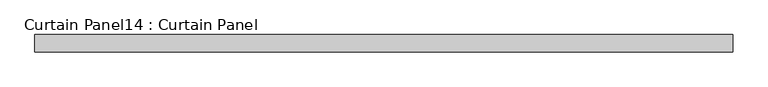
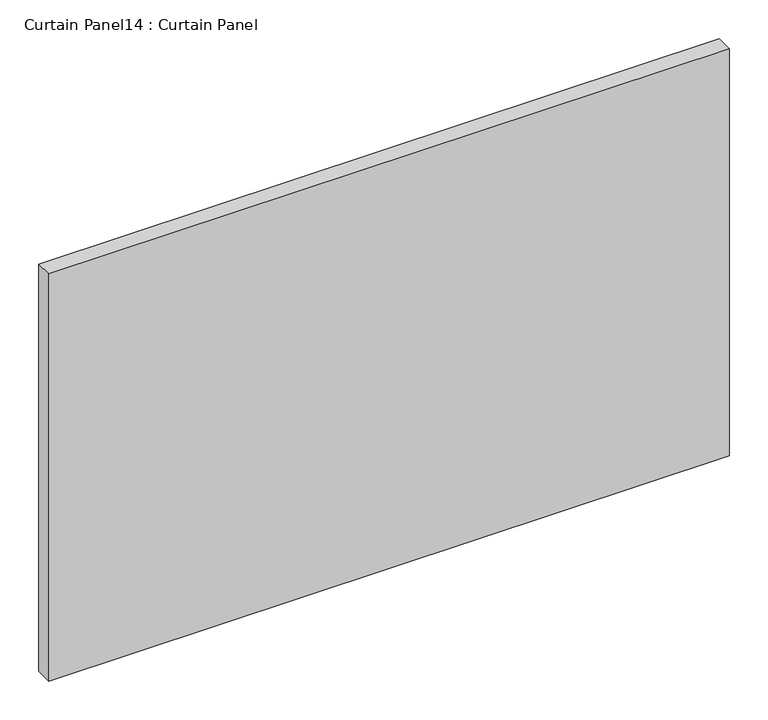
"""IFC4 building model written with IfcOpenShell, lengths in millimetres: plate geometry, Curtain Panel14 : Curtain Panel."""

from ifc_helpers import new_model, si_unit, frame, origin, place, context, project, spatial, polyline, outline, extrude, source, transform, mapped, element, save


def curtain_panel14_curtain_panel_fc891139(model_context):
    return source(origin(), model_context, "Body", "SweptSolid", [
        extrude(outline(polyline([(1424.4627701, 3568.3617926), (412.34809, 3568.3617926), (412.34809, 3593.7617926), (1424.4627701, 3593.7617926), (1424.4627701, 3568.3617926)])), frame((0.0, 0.0, 1352.1319583), z_axis=(0.0, 0.0, 1.0), x_axis=(1.0, 0.0, 0.0)), (0.0, 0.0, 1.0), 640.0694167),
    ])


if __name__ == "__main__":
    model = new_model("IFC4")
    model_context = context("Model", 3, world=origin())
    ifc_project = project(units=[si_unit("LENGTHUNIT", "METRE", prefix="MILLI")], contexts=[model_context])
    site = spatial("IfcSite", under=ifc_project)
    building = spatial("IfcBuilding", under=site)
    placement = place(None, origin())
    curtain_panel14_curtain_panel_shape = curtain_panel14_curtain_panel_fc891139(model_context)
    element("IfcPlate", 1, ObjectType="Curtain Panel14 : Curtain Panel", at=placement, inside=building, context=model_context, shape_type="MappedRepresentation", body=[
        mapped(curtain_panel14_curtain_panel_shape, transform((0.0, 0.0, 0.0), x_axis=(1.0, 0.0, 0.0), y_axis=(0.0, 1.0, 0.0), z_axis=(0.0, 0.0, 1.0))),
    ])
    save(model, "model.ifc")
